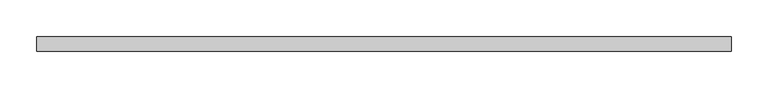
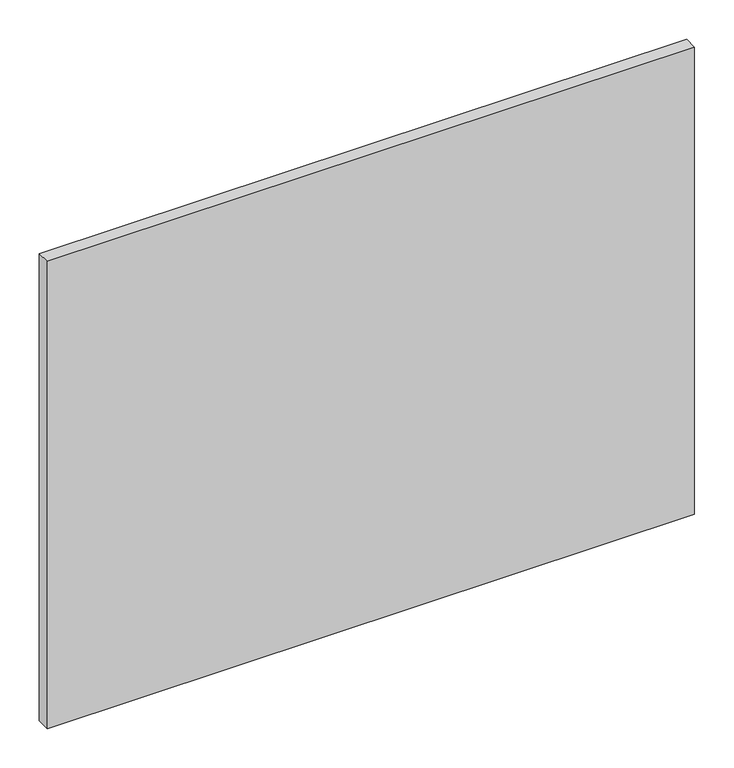
"""IFC4 building model written with IfcOpenShell, lengths in millimetres: plate geometry."""

from ifc_helpers import new_model, si_unit, origin, origin_with_axes, place, context, project, spatial, polyline, outline, extrude, source, transform, mapped, element, save


def plate_b42a109e(model_context):
    return source(origin(), model_context, "Body", "SweptSolid", [
        extrude(outline(polyline([(475.0, 20.0), (-475.0, 20.0), (-475.0, 40.0), (475.0, 40.0), (475.0, 20.0)])), origin_with_axes(), (0.0, 0.0, 1.0), 725.0),
    ])


if __name__ == "__main__":
    model = new_model("IFC4")
    model_context = context("Model", 3, world=origin())
    ifc_project = project(units=[si_unit("LENGTHUNIT", "METRE", prefix="MILLI")], contexts=[model_context])
    site = spatial("IfcSite", under=ifc_project)
    building = spatial("IfcBuilding", under=site)
    placement = place(None, origin())
    plate_shape = plate_b42a109e(model_context)
    element("IfcPlate", 1, at=placement, inside=building, context=model_context, shape_type="MappedRepresentation", body=[
        mapped(plate_shape, transform((0.0, 0.0, 0.0), x_axis=(1.0, 0.0, 0.0), y_axis=(0.0, 1.0, 0.0), z_axis=(0.0, 0.0, 1.0))),
    ])
    save(model, "model.ifc")
